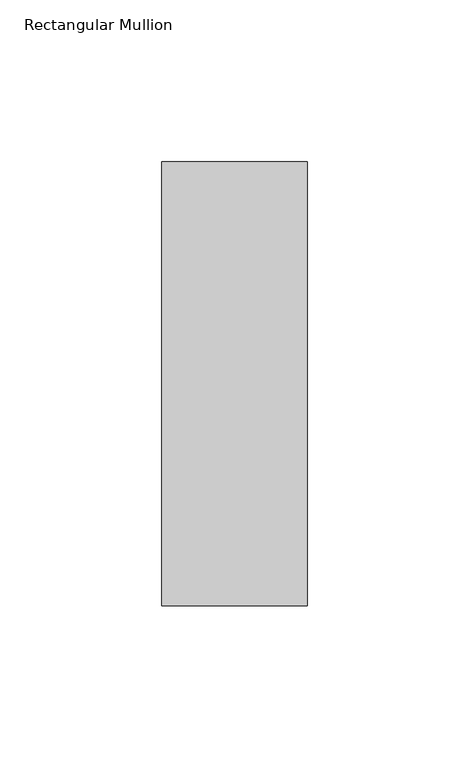
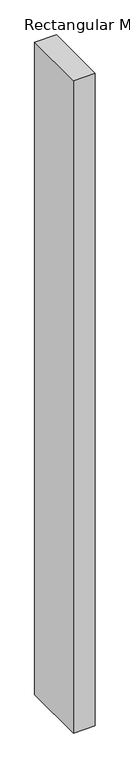
"""IFC4 building model written with IfcOpenShell, lengths in millimetres: member geometry, Rectangular Mullion."""

import ifcopenshell
import ifcopenshell.guid

model = None  # the IFC model being written
_history = None  # IfcOwnerHistory: only IFC2X3 demands one
_inside = {}  # id of a spatial element -> (the spatial element, [elements in it])
_under = {}  # id of a project, library or spatial element -> (it, [spatial elements below it])
_declared = {}  # id of a project -> (the project, [libraries it declares])
_typed = {}  # id of a type object -> (the type object, [elements of that type])
_made_of = {}  # id of a material, layer set ... -> (it, [elements and type objects made of it])


def new_model(schema):
    """Start an empty IFC model of exactly this schema.

    Asked for "IFC4X3", IfcOpenShell would pick the latest addendum, in which some entities
    have other attributes; the version numbers below select the first issue.
    IFC2X3 requires an IfcOwnerHistory on every rooted entity: one is made here for all.
    """
    global model, _history
    if schema == "IFC4X3":
        model = ifcopenshell.file(schema_version=(4, 3, 0, 0))
    else:
        model = ifcopenshell.file(schema=schema)
    _inside.clear()
    _under.clear()
    _declared.clear()
    _typed.clear()
    _made_of.clear()
    _history = None
    if model.schema == "IFC2X3":
        org = make("IfcOrganization", Name="unknown")
        user = make(
            "IfcPersonAndOrganization",
            ThePerson=make("IfcPerson", FamilyName="unknown"),
            TheOrganization=org,
        )
        app = make(
            "IfcApplication",
            ApplicationDeveloper=org,
            Version="unknown",
            ApplicationFullName="unknown",
            ApplicationIdentifier="unknown",
        )
        _history = make(
            "IfcOwnerHistory",
            OwningUser=user,
            OwningApplication=app,
            ChangeAction="ADDED",
            CreationDate=0,
        )
    return model


def make(cls, **values):
    """One entity of the class cls with the attributes given. An attribute that is None is left unset."""
    return model.create_entity(
        cls, **{name: value for name, value in values.items() if value is not None}
    )


def rooted(cls, **values):
    """An entity with a GlobalId (a new one), such as an element, a storey or a relation."""
    return make(cls, GlobalId=ifcopenshell.guid.new(), OwnerHistory=_history, **values)


def si_unit(unit_type, name, prefix=None):
    """IfcSIUnit, for example si_unit("LENGTHUNIT", "METRE", prefix="MILLI")."""
    return make("IfcSIUnit", UnitType=unit_type, Prefix=prefix, Name=name)


def assignment(units):
    """IfcUnitAssignment: the units of a project."""
    return None if units is None else make("IfcUnitAssignment", Units=units)


def point(xyz):
    """IfcCartesianPoint."""
    return None if xyz is None else make("IfcCartesianPoint", Coordinates=xyz)


def direction(xyz):
    """IfcDirection."""
    return None if xyz is None else make("IfcDirection", DirectionRatios=xyz)


def frame(location, z_axis=None, x_axis=None):
    """IfcAxis2Placement3D, a coordinate frame: its origin and axes. An axis left out is left unset."""
    return make(
        "IfcAxis2Placement3D",
        Location=point(location),
        Axis=direction(z_axis),
        RefDirection=direction(x_axis),
    )


def origin():
    """The frame at (0, 0, 0) with its axes left unset."""
    return frame((0.0, 0.0, 0.0))


def place(relative_to, where):
    """IfcLocalPlacement: puts the frame where relative to a parent placement (None: the world)."""
    return make(
        "IfcLocalPlacement", PlacementRelTo=relative_to, RelativePlacement=where
    )


def context(
    kind, dimensions, precision=None, world=None, true_north=None, identifier=None
):
    """IfcGeometricRepresentationContext, for example the 3D "Model" context."""
    return make(
        "IfcGeometricRepresentationContext",
        ContextIdentifier=identifier,
        ContextType=kind,
        CoordinateSpaceDimension=dimensions,
        Precision=precision,
        WorldCoordinateSystem=world,
        TrueNorth=true_north,
    )


def project(units=None, contexts=None):
    """IfcProject with its units and contexts."""
    return rooted(
        "IfcProject",
        Name="project",
        RepresentationContexts=contexts,
        UnitsInContext=assignment(units),
    )


def spatial(cls, under=None, at=None, **own):
    """A site, building, storey or space (cls), placed at a placement, below another one or the project."""
    s = rooted(cls, ObjectPlacement=at, **own)
    if under is not None:
        _under.setdefault(under.id(), (under, []))[1].append(s)
    return s


def polyline(points):
    """IfcPolyline through the points."""
    return make("IfcPolyline", Points=[point(p) for p in points])


def outline(outer, holes=None, kind="AREA"):
    """IfcArbitraryClosedProfileDef: a profile drawn as a closed curve; with holes, ...WithVoids."""
    if holes is None:
        return make("IfcArbitraryClosedProfileDef", ProfileType=kind, OuterCurve=outer)
    return make(
        "IfcArbitraryProfileDefWithVoids",
        ProfileType=kind,
        OuterCurve=outer,
        InnerCurves=holes,
    )


def extrude(swept, where, along, depth):
    """IfcExtrudedAreaSolid: the profile swept, set in the frame where, extruded along a direction by depth."""
    return make(
        "IfcExtrudedAreaSolid",
        SweptArea=swept,
        Position=where,
        ExtrudedDirection=direction(along),
        Depth=depth,
    )


def shape(context_of_items, identifier, shape_type, items):
    """IfcShapeRepresentation: the items that make up one representation, for example the "Body"."""
    return make(
        "IfcShapeRepresentation",
        ContextOfItems=context_of_items,
        RepresentationIdentifier=identifier,
        RepresentationType=shape_type,
        Items=items,
    )


def source(mapping_origin, context_of_items, identifier, shape_type, items):
    """IfcRepresentationMap: a shape defined once, which mapped items show again and again."""
    return make(
        "IfcRepresentationMap",
        MappingOrigin=mapping_origin,
        MappedRepresentation=shape(context_of_items, identifier, shape_type, items),
    )


def transform(
    local_origin,
    x_axis=None,
    y_axis=None,
    z_axis=None,
    scale=None,
    scale2=None,
    scale3=None,
    uniform=True,
):
    """IfcCartesianTransformationOperator3D, or its non-uniform kind. x_axis, y_axis, z_axis: its Axis1, 2, 3."""
    if uniform:
        return make(
            "IfcCartesianTransformationOperator3D",
            Axis1=direction(x_axis),
            Axis2=direction(y_axis),
            LocalOrigin=point(local_origin),
            Scale=scale,
            Axis3=direction(z_axis),
        )
    return make(
        "IfcCartesianTransformationOperator3DnonUniform",
        Axis1=direction(x_axis),
        Axis2=direction(y_axis),
        LocalOrigin=point(local_origin),
        Scale=scale,
        Axis3=direction(z_axis),
        Scale2=scale2,
        Scale3=scale3,
    )


def mapped(mapping_source, mapping_target):
    """IfcMappedItem: shows the shape of a source again, moved by a transform."""
    return make(
        "IfcMappedItem", MappingSource=mapping_source, MappingTarget=mapping_target
    )


def made_of(thing, what):
    """Note that an element or type object is made of a material, layer set ...; save() writes the relation."""
    if what is not None:
        _made_of.setdefault(what.id(), (what, []))[1].append(thing)
    return thing


def element(
    cls,
    number,
    at=None,
    inside=None,
    cuts=None,
    type_object=None,
    material=None,
    context=None,
    identifier="Body",
    shape_type=None,
    held_by="IfcProductDefinitionShape",
    body=None,
    shapes=None,
    **own,
):
    """One element of the class cls, such as IfcWall. Its Tag is "e" and its number.

    at: its placement. inside: the storey or other place that contains it. cuts: it is an
    opening in that element (IfcRelVoidsElement). A single representation is given by context,
    identifier, shape_type and body (its items); several are given by shapes. held_by: the class
    of the entity that holds the representations. save() writes the other relations.
    """
    e = rooted(cls, Tag="e%d" % number, ObjectPlacement=at, **own)
    if body is not None:
        shapes = [shape(context, identifier, shape_type, body)]
    if shapes is not None:
        e.Representation = make(held_by, Representations=shapes)
    if inside is not None:
        _inside.setdefault(inside.id(), (inside, []))[1].append(e)
    if cuts is not None:
        rooted(
            "IfcRelVoidsElement", RelatingBuildingElement=cuts, RelatedOpeningElement=e
        )
    if type_object is not None:
        _typed.setdefault(type_object.id(), (type_object, []))[1].append(e)
    return made_of(e, material)


def aggregate(whole, parts):
    """IfcRelAggregates: a whole, such as a stair, and the parts it consists of."""
    return rooted("IfcRelAggregates", RelatingObject=whole, RelatedObjects=parts)


def save(model, path):
    """Write the relations noted so far, then the file.

    IfcRelAggregates (storeys below a building ...), IfcRelContainedInSpatialStructure (elements
    in a storey), IfcRelDefinesByType, IfcRelAssociatesMaterial and IfcRelDeclares: one each for
    every whole, place, type object, material and project.
    """
    for whole, parts in _under.values():
        aggregate(whole, parts)
    for where, things in _inside.values():
        rooted(
            "IfcRelContainedInSpatialStructure",
            RelatedElements=things,
            RelatingStructure=where,
        )
    for kind, things in _typed.values():
        rooted("IfcRelDefinesByType", RelatedObjects=things, RelatingType=kind)
    for what, things in _made_of.values():
        rooted("IfcRelAssociatesMaterial", RelatedObjects=things, RelatingMaterial=what)
    for by, libraries in _declared.values():
        rooted("IfcRelDeclares", RelatingContext=by, RelatedDefinitions=libraries)
    model.write(path)


def rectangular_mullion_5797271e(model_context):
    return source(origin(), model_context, "Body", "SweptSolid", [
        extrude(outline(polyline([(22.5, 84.19375), (22.5, -53.19375), (-22.5, -53.19375), (-22.5, 84.19375), (22.5, 84.19375)])), frame((0.0, 0.0, -1416.5642788), z_axis=(0.0, 0.0, 1.0), x_axis=(1.0, 0.0, 0.0)), (0.0, 0.0, 1.0), 1416.5642788),
    ])


if __name__ == "__main__":
    model = new_model("IFC4")
    model_context = context("Model", 3, world=origin())
    ifc_project = project(units=[si_unit("LENGTHUNIT", "METRE", prefix="MILLI")], contexts=[model_context])
    site = spatial("IfcSite", under=ifc_project)
    building = spatial("IfcBuilding", under=site)
    placement = place(None, origin())
    rectangular_mullion_shape = rectangular_mullion_5797271e(model_context)
    element("IfcMember", 1, ObjectType="Rectangular Mullion", at=placement, inside=building, context=model_context, shape_type="MappedRepresentation", body=[
        mapped(rectangular_mullion_shape, transform((0.0, 0.0, 0.0), x_axis=(1.0, 0.0, 0.0), y_axis=(0.0, 1.0, 0.0), z_axis=(0.0, 0.0, 1.0))),
    ])
    save(model, "model.ifc")
